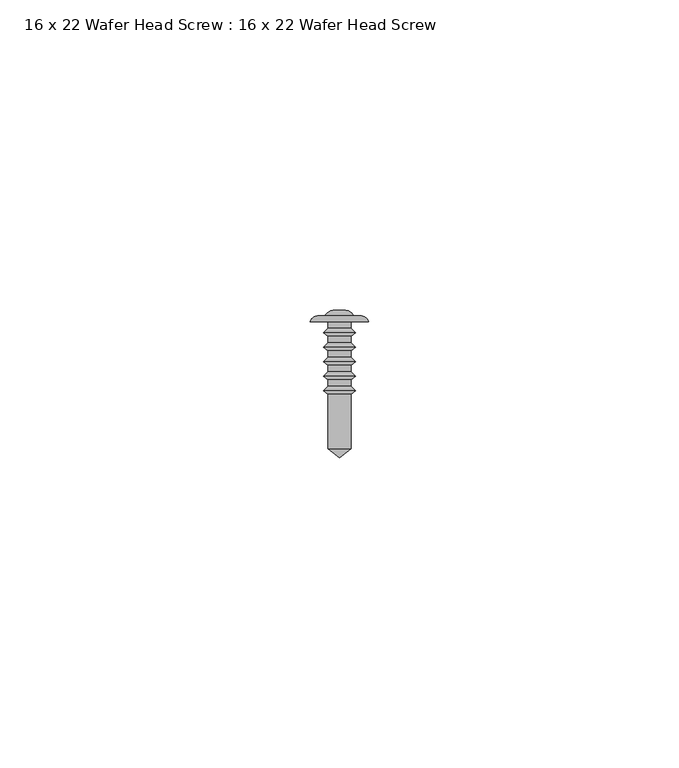
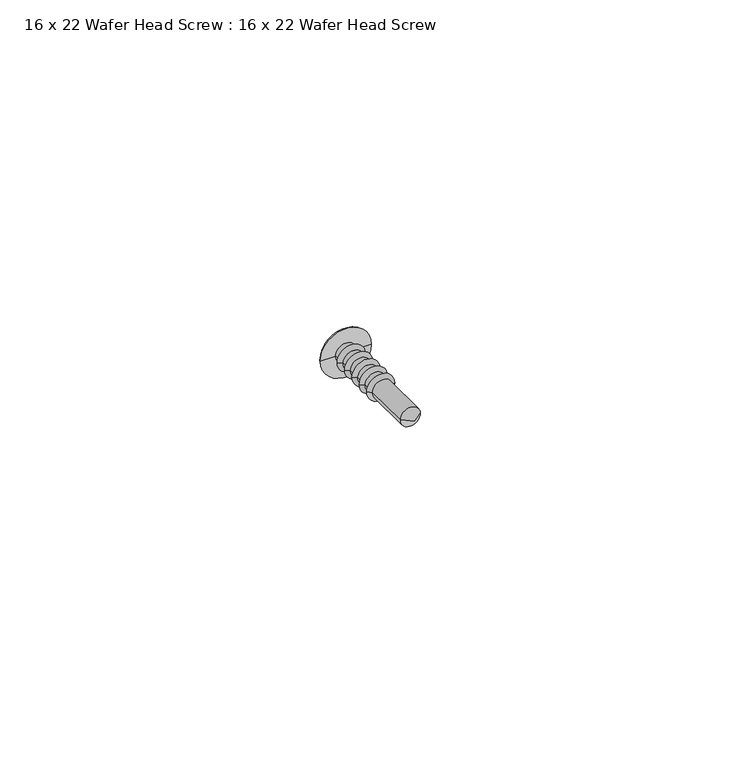
"""IFC4 building model written with IfcOpenShell, lengths in millimetres: proxy geometry, 16 x 22 Wafer Head Screw : 16 x 22 Wafer Head Screw."""

from ifc_helpers import new_model, si_unit, point, frame, origin, place, context, project, spatial, polyline, circle_curve, ellipse_curve, trimmed, source, transform, mapped, element, save
from ifc_brep_helpers import plane_surface, cylinder_surface, revolved_surface, advanced_brep


def proxy_16_x_22_wafer_head_screw_16_x_22_wafer_head_screw_f5603150(model_context):
    return source(origin(), model_context, "Body", "AdvancedBrep", [
        advanced_brep(
        [(-1.8554352, -11.6700547, 0.0), (1.8554352, -11.6700547, 0.0), (1.8554352, -20.4471271, 0.0), (-1.8554352, -20.4471271, 0.0), (-2.5766059, -11.0431506, 0.0), (2.5766059, -11.0431506, 0.0), (-1.8554352, -10.3219798, 0.0), (1.8554352, -10.3219798, 0.0), (-1.8554352, -9.3360438, 0.0), (1.8554352, -9.3360438, 0.0), (-2.5766059, -8.7091396, 0.0), (2.5766059, -8.7091396, 0.0), (-1.8554352, -7.9879689, 0.0), (1.8554352, -7.9879689, 0.0), (-1.8554352, -7.0020328, 0.0), (1.8554352, -7.0020328, 0.0), (-2.5766059, -6.3751287, 0.0), (2.5766059, -6.3751287, 0.0), (-1.8554352, -5.6539579, 0.0), (1.8554352, -5.6539579, 0.0), (-1.8554352, -4.6680219, 0.0), (1.8554352, -4.6680219, 0.0), (-2.5766059, -4.0411177, 0.0), (2.5766059, -4.0411177, 0.0), (-1.8554352, -3.319947, 0.0), (1.8554352, -3.319947, 0.0), (-1.8554352, -2.3340109, 0.0), (1.8554352, -2.3340109, 0.0), (-2.5766059, -1.7071068, 0.0), (2.5766059, -1.7071068, 0.0), (-1.8694992, -1.0, 0.0), (1.8694992, -1.0, 0.0), (-1.8694992, 0.0, 0.0), (1.8694992, 0.0, 0.0), (-4.7066403, 0.0, 0.0), (4.7066403, 0.0, 0.0), (-3.2807188, 1.0359925, 0.0), (3.2807188, 1.0359925, 0.0), (-2.2807188, 1.0359925, 0.0), (2.2807188, 1.0359925, 0.0), (-0.8626721, 1.8547022, 0.0), (0.8626721, 1.8547022, 0.0), (0.0, 1.8547022, 0.0), (0.0, -21.8452978, 0.0)],
        [
            (0, 1, circle_curve(frame((0.0, -11.6700547, 0.0), z_axis=(0.0, -1.0, 0.0), x_axis=(1.0, 0.0, 0.0)), 1.8554352)),
            (1, 2),
            (2, 3, circle_curve(frame((0.0, -20.4471271, 0.0), z_axis=(0.0, 1.0, 0.0), x_axis=(1.0, 0.0, 0.0)), 1.8554352)),
            (3, 0),
            (1, 0, circle_curve(frame((0.0, -11.6700547, 0.0), z_axis=(0.0, -1.0, 0.0), x_axis=(1.0, 0.0, 0.0)), 1.8554352)),
            (3, 2, circle_curve(frame((0.0, -20.4471271, 0.0), z_axis=(0.0, 1.0, 0.0), x_axis=(1.0, 0.0, 0.0)), 1.8554352)),
            (4, 5, circle_curve(frame((0.0, -11.0431506, 0.0), z_axis=(0.0, -1.0, 0.0), x_axis=(1.0, 0.0, 0.0)), 2.5766059)),
            (5, 1),
            (0, 4),
            (5, 4, circle_curve(frame((0.0, -11.0431506, 0.0), z_axis=(0.0, -1.0, 0.0), x_axis=(1.0, 0.0, 0.0)), 2.5766059)),
            (6, 7, circle_curve(frame((0.0, -10.3219798, 0.0), z_axis=(0.0, -1.0, 0.0), x_axis=(1.0, 0.0, 0.0)), 1.8554352)),
            (7, 5),
            (4, 6),
            (7, 6, circle_curve(frame((0.0, -10.3219798, 0.0), z_axis=(0.0, -1.0, 0.0), x_axis=(1.0, 0.0, 0.0)), 1.8554352)),
            (8, 9, circle_curve(frame((0.0, -9.3360438, 0.0), z_axis=(0.0, -1.0, 0.0), x_axis=(1.0, 0.0, 0.0)), 1.8554352)),
            (9, 7),
            (6, 8),
            (9, 8, circle_curve(frame((0.0, -9.3360438, 0.0), z_axis=(0.0, -1.0, 0.0), x_axis=(1.0, 0.0, 0.0)), 1.8554352)),
            (10, 11, circle_curve(frame((0.0, -8.7091396, 0.0), z_axis=(0.0, -1.0, 0.0), x_axis=(1.0, 0.0, 0.0)), 2.5766059)),
            (11, 9),
            (8, 10),
            (11, 10, circle_curve(frame((0.0, -8.7091396, 0.0), z_axis=(0.0, -1.0, 0.0), x_axis=(1.0, 0.0, 0.0)), 2.5766059)),
            (12, 13, circle_curve(frame((0.0, -7.9879689, 0.0), z_axis=(0.0, -1.0, 0.0), x_axis=(1.0, 0.0, 0.0)), 1.8554352)),
            (13, 11),
            (10, 12),
            (13, 12, circle_curve(frame((0.0, -7.9879689, 0.0), z_axis=(0.0, -1.0, 0.0), x_axis=(1.0, 0.0, 0.0)), 1.8554352)),
            (14, 15, circle_curve(frame((0.0, -7.0020328, 0.0), z_axis=(0.0, -1.0, 0.0), x_axis=(1.0, 0.0, 0.0)), 1.8554352)),
            (15, 13),
            (12, 14),
            (15, 14, circle_curve(frame((0.0, -7.0020328, 0.0), z_axis=(0.0, -1.0, 0.0), x_axis=(1.0, 0.0, 0.0)), 1.8554352)),
            (16, 17, circle_curve(frame((0.0, -6.3751287, 0.0), z_axis=(0.0, -1.0, 0.0), x_axis=(1.0, 0.0, 0.0)), 2.5766059)),
            (17, 15),
            (14, 16),
            (17, 16, circle_curve(frame((0.0, -6.3751287, 0.0), z_axis=(0.0, -1.0, 0.0), x_axis=(1.0, 0.0, 0.0)), 2.5766059)),
            (18, 19, circle_curve(frame((0.0, -5.6539579, 0.0), z_axis=(0.0, -1.0, 0.0), x_axis=(1.0, 0.0, 0.0)), 1.8554352)),
            (19, 17),
            (16, 18),
            (19, 18, circle_curve(frame((0.0, -5.6539579, 0.0), z_axis=(0.0, -1.0, 0.0), x_axis=(1.0, 0.0, 0.0)), 1.8554352)),
            (20, 21, circle_curve(frame((0.0, -4.6680219, 0.0), z_axis=(0.0, -1.0, 0.0), x_axis=(1.0, 0.0, 0.0)), 1.8554352)),
            (21, 19),
            (18, 20),
            (21, 20, circle_curve(frame((0.0, -4.6680219, 0.0), z_axis=(0.0, -1.0, 0.0), x_axis=(1.0, 0.0, 0.0)), 1.8554352)),
            (22, 23, circle_curve(frame((0.0, -4.0411177, 0.0), z_axis=(0.0, -1.0, 0.0), x_axis=(1.0, 0.0, 0.0)), 2.5766059)),
            (23, 21),
            (20, 22),
            (23, 22, circle_curve(frame((0.0, -4.0411177, 0.0), z_axis=(0.0, -1.0, 0.0), x_axis=(1.0, 0.0, 0.0)), 2.5766059)),
            (24, 25, circle_curve(frame((0.0, -3.319947, 0.0), z_axis=(0.0, -1.0, 0.0), x_axis=(1.0, 0.0, 0.0)), 1.8554352)),
            (25, 23),
            (22, 24),
            (25, 24, circle_curve(frame((0.0, -3.319947, 0.0), z_axis=(0.0, -1.0, 0.0), x_axis=(1.0, 0.0, 0.0)), 1.8554352)),
            (26, 27, circle_curve(frame((0.0, -2.3340109, 0.0), z_axis=(0.0, -1.0, 0.0), x_axis=(1.0, 0.0, 0.0)), 1.8554352)),
            (27, 25),
            (24, 26),
            (27, 26, circle_curve(frame((0.0, -2.3340109, 0.0), z_axis=(0.0, -1.0, 0.0), x_axis=(1.0, 0.0, 0.0)), 1.8554352)),
            (28, 29, circle_curve(frame((0.0, -1.7071068, 0.0), z_axis=(0.0, -1.0, 0.0), x_axis=(1.0, 0.0, 0.0)), 2.5766059)),
            (29, 27),
            (26, 28),
            (29, 28, circle_curve(frame((0.0, -1.7071068, 0.0), z_axis=(0.0, -1.0, 0.0), x_axis=(1.0, 0.0, 0.0)), 2.5766059)),
            (30, 31, circle_curve(frame((0.0, -1.0, 0.0), z_axis=(0.0, -1.0, 0.0), x_axis=(1.0, 0.0, 0.0)), 1.8694992)),
            (31, 29),
            (28, 30),
            (31, 30, circle_curve(frame((0.0, -1.0, 0.0), z_axis=(0.0, -1.0, 0.0), x_axis=(1.0, 0.0, 0.0)), 1.8694992)),
            (32, 33, circle_curve(frame((0.0, 0.0, 0.0), z_axis=(0.0, -1.0, 0.0), x_axis=(1.0, 0.0, 0.0)), 1.8694992)),
            (33, 31),
            (30, 32),
            (33, 32, circle_curve(frame((0.0, 0.0, 0.0), z_axis=(0.0, -1.0, 0.0), x_axis=(1.0, 0.0, 0.0)), 1.8694992)),
            (34, 35, circle_curve(frame((0.0, 0.0, 0.0), z_axis=(0.0, -1.0, 0.0), x_axis=(1.0, 0.0, 0.0)), 4.7066403)),
            (35, 33),
            (32, 34),
            (35, 34, circle_curve(frame((0.0, 0.0, 0.0), z_axis=(0.0, -1.0, 0.0), x_axis=(1.0, 0.0, 0.0)), 4.7066403)),
            (36, 37, circle_curve(frame((0.0, 1.0359925, 0.0), z_axis=(0.0, -1.0, 0.0), x_axis=(1.0, 0.0, 0.0)), 3.2807188)),
            (37, 35, circle_curve(frame((3.3352308, -0.3882807, 0.0), z_axis=(0.0, 0.0, -1.0), x_axis=(0.0, 1.0, 0.0)), 1.425316)),
            (34, 36, circle_curve(frame((-3.3352308, -0.3882807, 0.0), z_axis=(0.0, 0.0, -1.0), x_axis=(0.0, 1.0, 0.0)), 1.425316)),
            (37, 36, circle_curve(frame((0.0, 1.0359925, 0.0), z_axis=(0.0, -1.0, 0.0), x_axis=(1.0, 0.0, 0.0)), 3.2807188)),
            (38, 39, circle_curve(frame((0.0, 1.0359925, 0.0), z_axis=(0.0, -1.0, 0.0), x_axis=(1.0, 0.0, 0.0)), 2.2807188)),
            (39, 37),
            (36, 38),
            (39, 38, circle_curve(frame((0.0, 1.0359925, 0.0), z_axis=(0.0, -1.0, 0.0), x_axis=(1.0, 0.0, 0.0)), 2.2807188)),
            (40, 41, circle_curve(frame((0.0, 1.8547022, 0.0), z_axis=(0.0, -1.0, 0.0), x_axis=(1.0, 0.0, 0.0)), 0.8626721)),
            (41, 39, circle_curve(frame((0.8939585, 0.2714724, 0.0), z_axis=(0.0, 0.0, -1.0), x_axis=(0.0, 1.0, 0.0)), 1.5835389)),
            (38, 40, circle_curve(frame((-0.8939585, 0.2714724, 0.0), z_axis=(0.0, 0.0, -1.0), x_axis=(0.0, 1.0, 0.0)), 1.5835389)),
            (41, 40, circle_curve(frame((0.0, 1.8547022, 0.0), z_axis=(0.0, -1.0, 0.0), x_axis=(1.0, 0.0, 0.0)), 0.8626721)),
            (42, 41),
            (40, 42),
            (2, 43),
            (43, 3),
        ],
        [
            cylinder_surface(frame((0.0, -22.2103269, 0.0), z_axis=(0.0, 1.0, 0.0), x_axis=(1.0, 0.0, 0.0)), 1.8554352),
            revolved_surface(polyline([(1.8554352, -11.6700547, 0.0), (2.5766059, -11.0431506, 0.0)]), (0.0, -22.2103269, 0.0), (0.0, 1.0, 0.0)),
            revolved_surface(polyline([(2.5766059, -11.0431506, 0.0), (1.8554352, -10.3219798, 0.0)]), (0.0, -22.2103269, 0.0), (0.0, 1.0, 0.0)),
            revolved_surface(polyline([(1.8554352, -9.3360438, 0.0), (2.5766059, -8.7091396, 0.0)]), (0.0, -22.2103269, 0.0), (0.0, 1.0, 0.0)),
            revolved_surface(polyline([(2.5766059, -8.7091396, 0.0), (1.8554352, -7.9879689, 0.0)]), (0.0, -22.2103269, 0.0), (0.0, 1.0, 0.0)),
            revolved_surface(polyline([(1.8554352, -7.0020328, 0.0), (2.5766059, -6.3751287, 0.0)]), (0.0, -22.2103269, 0.0), (0.0, 1.0, 0.0)),
            revolved_surface(polyline([(2.5766059, -6.3751287, 0.0), (1.8554352, -5.6539579, 0.0)]), (0.0, -22.2103269, 0.0), (0.0, 1.0, 0.0)),
            revolved_surface(polyline([(1.8554352, -4.6680219, 0.0), (2.5766059, -4.0411177, 0.0)]), (0.0, -22.2103269, 0.0), (0.0, 1.0, 0.0)),
            revolved_surface(polyline([(2.5766059, -4.0411177, 0.0), (1.8554352, -3.319947, 0.0)]), (0.0, -22.2103269, 0.0), (0.0, 1.0, 0.0)),
            revolved_surface(polyline([(1.8554352, -2.3340109, 0.0), (2.5766059, -1.7071068, 0.0)]), (0.0, -22.2103269, 0.0), (0.0, 1.0, 0.0)),
            revolved_surface(polyline([(2.5766059, -1.7071068, 0.0), (1.8694992, -1.0, 0.0)]), (0.0, -22.2103269, 0.0), (0.0, 1.0, 0.0)),
            cylinder_surface(frame((0.0, -22.2103269, 0.0), z_axis=(0.0, 1.0, 0.0), x_axis=(1.0, 0.0, 0.0)), 1.8694992),
            plane_surface(frame((0.0, 0.0, 0.0), z_axis=(0.0, -1.0, 0.0), x_axis=(1.0, 0.0, 0.0))),
            revolved_surface(trimmed(ellipse_curve(frame((3.3352308, -0.3882807, 0.0), z_axis=(0.0, 0.0, 1.0), x_axis=(0.0, 1.0, 0.0)), 1.425316, 1.425316), [point((4.7066403, 0.0, 0.0))], [point((3.2807188, 1.0359925, 0.0))], True, "CARTESIAN"), (0.0, -22.2103269, 0.0), (0.0, 1.0, 0.0)),
            plane_surface(frame((0.0, 1.0359925, 0.0), z_axis=(0.0, 1.0, 0.0), x_axis=(1.0, 0.0, 0.0))),
            revolved_surface(trimmed(ellipse_curve(frame((0.8939585, 0.2714724, 0.0), z_axis=(0.0, 0.0, 1.0), x_axis=(0.0, 1.0, 0.0)), 1.5835389, 1.5835389), [point((2.2807188, 1.0359925, 0.0))], [point((0.8626721, 1.8547022, 0.0))], True, "CARTESIAN"), (0.0, -22.2103269, 0.0), (0.0, 1.0, 0.0)),
            plane_surface(frame((0.0, 1.8547022, 0.0), z_axis=(0.0, 1.0, 0.0), x_axis=(1.0, 0.0, 0.0))),
            revolved_surface(polyline([(0.0, -21.8452978, 0.0), (1.8554352, -20.4471271, 0.0)]), (0.0, -22.2103269, 0.0), (0.0, 1.0, 0.0)),
        ],
        [
            (0, [[1, 2, 3, 4]]),
            (0, [[5, -4, 6, -2]]),
            (1, [[7, 8, -1, 9]]),
            (1, [[10, -9, -5, -8]]),
            (2, [[11, 12, -7, 13]]),
            (2, [[14, -13, -10, -12]]),
            (0, [[15, 16, -11, 17]]),
            (0, [[18, -17, -14, -16]]),
            (3, [[19, 20, -15, 21]]),
            (3, [[22, -21, -18, -20]]),
            (4, [[23, 24, -19, 25]]),
            (4, [[26, -25, -22, -24]]),
            (0, [[27, 28, -23, 29]]),
            (0, [[30, -29, -26, -28]]),
            (5, [[31, 32, -27, 33]]),
            (5, [[34, -33, -30, -32]]),
            (6, [[35, 36, -31, 37]]),
            (6, [[38, -37, -34, -36]]),
            (0, [[39, 40, -35, 41]]),
            (0, [[42, -41, -38, -40]]),
            (7, [[43, 44, -39, 45]]),
            (7, [[46, -45, -42, -44]]),
            (8, [[47, 48, -43, 49]]),
            (8, [[50, -49, -46, -48]]),
            (0, [[51, 52, -47, 53]]),
            (0, [[54, -53, -50, -52]]),
            (9, [[55, 56, -51, 57]]),
            (9, [[58, -57, -54, -56]]),
            (10, [[59, 60, -55, 61]]),
            (10, [[62, -61, -58, -60]]),
            (11, [[63, 64, -59, 65]]),
            (11, [[66, -65, -62, -64]]),
            (12, [[67, 68, -63, 69]]),
            (12, [[70, -69, -66, -68]]),
            (13, [[71, 72, -67, 73]]),
            (13, [[74, -73, -70, -72]]),
            (14, [[75, 76, -71, 77]]),
            (14, [[78, -77, -74, -76]]),
            (15, [[79, 80, -75, 81]]),
            (15, [[82, -81, -78, -80]]),
            (16, [[83, -79, 84]]),
            (16, [[-84, -82, -83]]),
            (17, [[-3, 85, 86]]),
            (17, [[-6, -86, -85]]),
        ],
    ),
    ])


if __name__ == "__main__":
    model = new_model("IFC4")
    model_context = context("Model", 3, world=origin())
    ifc_project = project(units=[si_unit("LENGTHUNIT", "METRE", prefix="MILLI")], contexts=[model_context])
    site = spatial("IfcSite", under=ifc_project)
    building = spatial("IfcBuilding", under=site)
    placement = place(None, origin())
    proxy_16_x_22_wafer_head_screw_16_x_22_wafer_head_screw_shape = proxy_16_x_22_wafer_head_screw_16_x_22_wafer_head_screw_f5603150(model_context)
    element("IfcBuildingElementProxy", 1, Name="16 x 22 Wafer Head Screw : 16 x 22 Wafer Head Screw", ObjectType="16 x 22 Wafer Head Screw : 16 x 22 Wafer Head Screw", at=placement, inside=building, context=model_context, shape_type="MappedRepresentation", body=[
        mapped(proxy_16_x_22_wafer_head_screw_16_x_22_wafer_head_screw_shape, transform((0.0, 0.0, 0.0), x_axis=(1.0, 0.0, 0.0), y_axis=(0.0, 1.0, 0.0), z_axis=(0.0, 0.0, 1.0))),
    ])
    save(model, "model.ifc")
